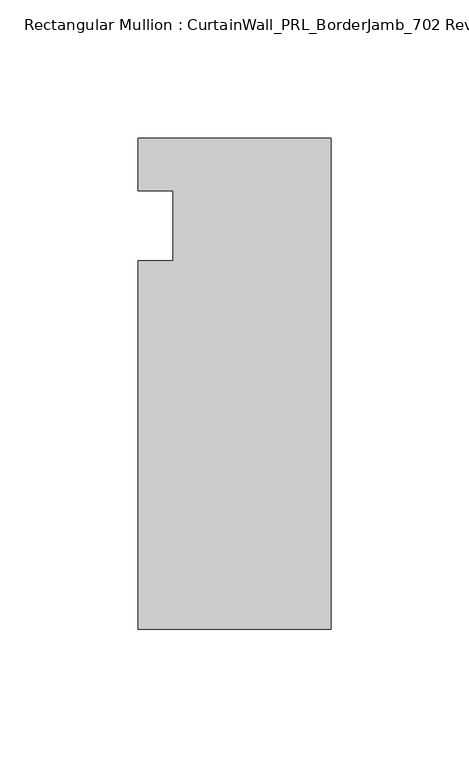
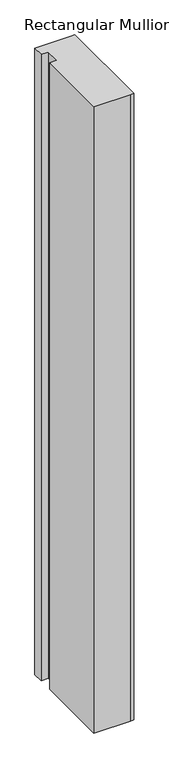
"""IFC4 building model written with IfcOpenShell, lengths in millimetres: member geometry, Rectangular Mullion : CurtainWall_PRL_BorderJamb_702 Reverse."""

import ifcopenshell
import ifcopenshell.guid

model = None  # the IFC model being written
_history = None  # IfcOwnerHistory: only IFC2X3 demands one
_inside = {}  # id of a spatial element -> (the spatial element, [elements in it])
_under = {}  # id of a project, library or spatial element -> (it, [spatial elements below it])
_declared = {}  # id of a project -> (the project, [libraries it declares])
_typed = {}  # id of a type object -> (the type object, [elements of that type])
_made_of = {}  # id of a material, layer set ... -> (it, [elements and type objects made of it])


def new_model(schema):
    """Start an empty IFC model of exactly this schema.

    Asked for "IFC4X3", IfcOpenShell would pick the latest addendum, in which some entities
    have other attributes; the version numbers below select the first issue.
    IFC2X3 requires an IfcOwnerHistory on every rooted entity: one is made here for all.
    """
    global model, _history
    if schema == "IFC4X3":
        model = ifcopenshell.file(schema_version=(4, 3, 0, 0))
    else:
        model = ifcopenshell.file(schema=schema)
    _inside.clear()
    _under.clear()
    _declared.clear()
    _typed.clear()
    _made_of.clear()
    _history = None
    if model.schema == "IFC2X3":
        org = make("IfcOrganization", Name="unknown")
        user = make(
            "IfcPersonAndOrganization",
            ThePerson=make("IfcPerson", FamilyName="unknown"),
            TheOrganization=org,
        )
        app = make(
            "IfcApplication",
            ApplicationDeveloper=org,
            Version="unknown",
            ApplicationFullName="unknown",
            ApplicationIdentifier="unknown",
        )
        _history = make(
            "IfcOwnerHistory",
            OwningUser=user,
            OwningApplication=app,
            ChangeAction="ADDED",
            CreationDate=0,
        )
    return model


def make(cls, **values):
    """One entity of the class cls with the attributes given. An attribute that is None is left unset."""
    return model.create_entity(
        cls, **{name: value for name, value in values.items() if value is not None}
    )


def rooted(cls, **values):
    """An entity with a GlobalId (a new one), such as an element, a storey or a relation."""
    return make(cls, GlobalId=ifcopenshell.guid.new(), OwnerHistory=_history, **values)


def si_unit(unit_type, name, prefix=None):
    """IfcSIUnit, for example si_unit("LENGTHUNIT", "METRE", prefix="MILLI")."""
    return make("IfcSIUnit", UnitType=unit_type, Prefix=prefix, Name=name)


def assignment(units):
    """IfcUnitAssignment: the units of a project."""
    return None if units is None else make("IfcUnitAssignment", Units=units)


def point(xyz):
    """IfcCartesianPoint."""
    return None if xyz is None else make("IfcCartesianPoint", Coordinates=xyz)


def direction(xyz):
    """IfcDirection."""
    return None if xyz is None else make("IfcDirection", DirectionRatios=xyz)


def frame(location, z_axis=None, x_axis=None):
    """IfcAxis2Placement3D, a coordinate frame: its origin and axes. An axis left out is left unset."""
    return make(
        "IfcAxis2Placement3D",
        Location=point(location),
        Axis=direction(z_axis),
        RefDirection=direction(x_axis),
    )


def origin():
    """The frame at (0, 0, 0) with its axes left unset."""
    return frame((0.0, 0.0, 0.0))


def place(relative_to, where):
    """IfcLocalPlacement: puts the frame where relative to a parent placement (None: the world)."""
    return make(
        "IfcLocalPlacement", PlacementRelTo=relative_to, RelativePlacement=where
    )


def context(
    kind, dimensions, precision=None, world=None, true_north=None, identifier=None
):
    """IfcGeometricRepresentationContext, for example the 3D "Model" context."""
    return make(
        "IfcGeometricRepresentationContext",
        ContextIdentifier=identifier,
        ContextType=kind,
        CoordinateSpaceDimension=dimensions,
        Precision=precision,
        WorldCoordinateSystem=world,
        TrueNorth=true_north,
    )


def project(units=None, contexts=None):
    """IfcProject with its units and contexts."""
    return rooted(
        "IfcProject",
        Name="project",
        RepresentationContexts=contexts,
        UnitsInContext=assignment(units),
    )


def spatial(cls, under=None, at=None, **own):
    """A site, building, storey or space (cls), placed at a placement, below another one or the project."""
    s = rooted(cls, ObjectPlacement=at, **own)
    if under is not None:
        _under.setdefault(under.id(), (under, []))[1].append(s)
    return s


def polyline(points):
    """IfcPolyline through the points."""
    return make("IfcPolyline", Points=[point(p) for p in points])


def outline(outer, holes=None, kind="AREA"):
    """IfcArbitraryClosedProfileDef: a profile drawn as a closed curve; with holes, ...WithVoids."""
    if holes is None:
        return make("IfcArbitraryClosedProfileDef", ProfileType=kind, OuterCurve=outer)
    return make(
        "IfcArbitraryProfileDefWithVoids",
        ProfileType=kind,
        OuterCurve=outer,
        InnerCurves=holes,
    )


def extrude(swept, where, along, depth):
    """IfcExtrudedAreaSolid: the profile swept, set in the frame where, extruded along a direction by depth."""
    return make(
        "IfcExtrudedAreaSolid",
        SweptArea=swept,
        Position=where,
        ExtrudedDirection=direction(along),
        Depth=depth,
    )


def shape(context_of_items, identifier, shape_type, items):
    """IfcShapeRepresentation: the items that make up one representation, for example the "Body"."""
    return make(
        "IfcShapeRepresentation",
        ContextOfItems=context_of_items,
        RepresentationIdentifier=identifier,
        RepresentationType=shape_type,
        Items=items,
    )


def source(mapping_origin, context_of_items, identifier, shape_type, items):
    """IfcRepresentationMap: a shape defined once, which mapped items show again and again."""
    return make(
        "IfcRepresentationMap",
        MappingOrigin=mapping_origin,
        MappedRepresentation=shape(context_of_items, identifier, shape_type, items),
    )


def transform(
    local_origin,
    x_axis=None,
    y_axis=None,
    z_axis=None,
    scale=None,
    scale2=None,
    scale3=None,
    uniform=True,
):
    """IfcCartesianTransformationOperator3D, or its non-uniform kind. x_axis, y_axis, z_axis: its Axis1, 2, 3."""
    if uniform:
        return make(
            "IfcCartesianTransformationOperator3D",
            Axis1=direction(x_axis),
            Axis2=direction(y_axis),
            LocalOrigin=point(local_origin),
            Scale=scale,
            Axis3=direction(z_axis),
        )
    return make(
        "IfcCartesianTransformationOperator3DnonUniform",
        Axis1=direction(x_axis),
        Axis2=direction(y_axis),
        LocalOrigin=point(local_origin),
        Scale=scale,
        Axis3=direction(z_axis),
        Scale2=scale2,
        Scale3=scale3,
    )


def mapped(mapping_source, mapping_target):
    """IfcMappedItem: shows the shape of a source again, moved by a transform."""
    return make(
        "IfcMappedItem", MappingSource=mapping_source, MappingTarget=mapping_target
    )


def made_of(thing, what):
    """Note that an element or type object is made of a material, layer set ...; save() writes the relation."""
    if what is not None:
        _made_of.setdefault(what.id(), (what, []))[1].append(thing)
    return thing


def element(
    cls,
    number,
    at=None,
    inside=None,
    cuts=None,
    type_object=None,
    material=None,
    context=None,
    identifier="Body",
    shape_type=None,
    held_by="IfcProductDefinitionShape",
    body=None,
    shapes=None,
    **own,
):
    """One element of the class cls, such as IfcWall. Its Tag is "e" and its number.

    at: its placement. inside: the storey or other place that contains it. cuts: it is an
    opening in that element (IfcRelVoidsElement). A single representation is given by context,
    identifier, shape_type and body (its items); several are given by shapes. held_by: the class
    of the entity that holds the representations. save() writes the other relations.
    """
    e = rooted(cls, Tag="e%d" % number, ObjectPlacement=at, **own)
    if body is not None:
        shapes = [shape(context, identifier, shape_type, body)]
    if shapes is not None:
        e.Representation = make(held_by, Representations=shapes)
    if inside is not None:
        _inside.setdefault(inside.id(), (inside, []))[1].append(e)
    if cuts is not None:
        rooted(
            "IfcRelVoidsElement", RelatingBuildingElement=cuts, RelatedOpeningElement=e
        )
    if type_object is not None:
        _typed.setdefault(type_object.id(), (type_object, []))[1].append(e)
    return made_of(e, material)


def aggregate(whole, parts):
    """IfcRelAggregates: a whole, such as a stair, and the parts it consists of."""
    return rooted("IfcRelAggregates", RelatingObject=whole, RelatedObjects=parts)


def save(model, path):
    """Write the relations noted so far, then the file.

    IfcRelAggregates (storeys below a building ...), IfcRelContainedInSpatialStructure (elements
    in a storey), IfcRelDefinesByType, IfcRelAssociatesMaterial and IfcRelDeclares: one each for
    every whole, place, type object, material and project.
    """
    for whole, parts in _under.values():
        aggregate(whole, parts)
    for where, things in _inside.values():
        rooted(
            "IfcRelContainedInSpatialStructure",
            RelatedElements=things,
            RelatingStructure=where,
        )
    for kind, things in _typed.values():
        rooted("IfcRelDefinesByType", RelatedObjects=things, RelatingType=kind)
    for what, things in _made_of.values():
        rooted("IfcRelAssociatesMaterial", RelatedObjects=things, RelatingMaterial=what)
    for by, libraries in _declared.values():
        rooted("IfcRelDeclares", RelatingContext=by, RelatedDefinitions=libraries)
    model.write(path)


def rectangular_mullion_curtainwall_prl_borderjamb_702_reverse_2f5491e7(model_context):
    return source(origin(), model_context, "Body", "SweptSolid", [
        extrude(outline(polyline([(-57.15, -12.7), (-57.15, 12.7), (-69.85, 12.7), (-69.85, 31.75), (-7.3958824, 31.75), (0.0, 31.75), (0.0, -146.05), (-6.35, -146.05), (-69.85, -146.05), (-69.85, -12.7), (-57.15, -12.7)])), frame((0.0, 0.0, -1155.7), z_axis=(0.0, 0.0, 1.0), x_axis=(1.0, 0.0, 0.0)), (0.0, 0.0, 1.0), 1155.7),
    ])


if __name__ == "__main__":
    model = new_model("IFC4")
    model_context = context("Model", 3, world=origin())
    ifc_project = project(units=[si_unit("LENGTHUNIT", "METRE", prefix="MILLI")], contexts=[model_context])
    site = spatial("IfcSite", under=ifc_project)
    building = spatial("IfcBuilding", under=site)
    placement = place(None, origin())
    rectangular_mullion_curtainwall_prl_borderjamb_702_reverse_shape = rectangular_mullion_curtainwall_prl_borderjamb_702_reverse_2f5491e7(model_context)
    element("IfcMember", 1, ObjectType="Rectangular Mullion : CurtainWall_PRL_BorderJamb_702 Reverse", at=placement, inside=building, context=model_context, shape_type="MappedRepresentation", body=[
        mapped(rectangular_mullion_curtainwall_prl_borderjamb_702_reverse_shape, transform((0.0, 0.0, 0.0), x_axis=(1.0, 0.0, 0.0), y_axis=(0.0, 1.0, 0.0), z_axis=(0.0, 0.0, 1.0))),
    ])
    save(model, "model.ifc")
